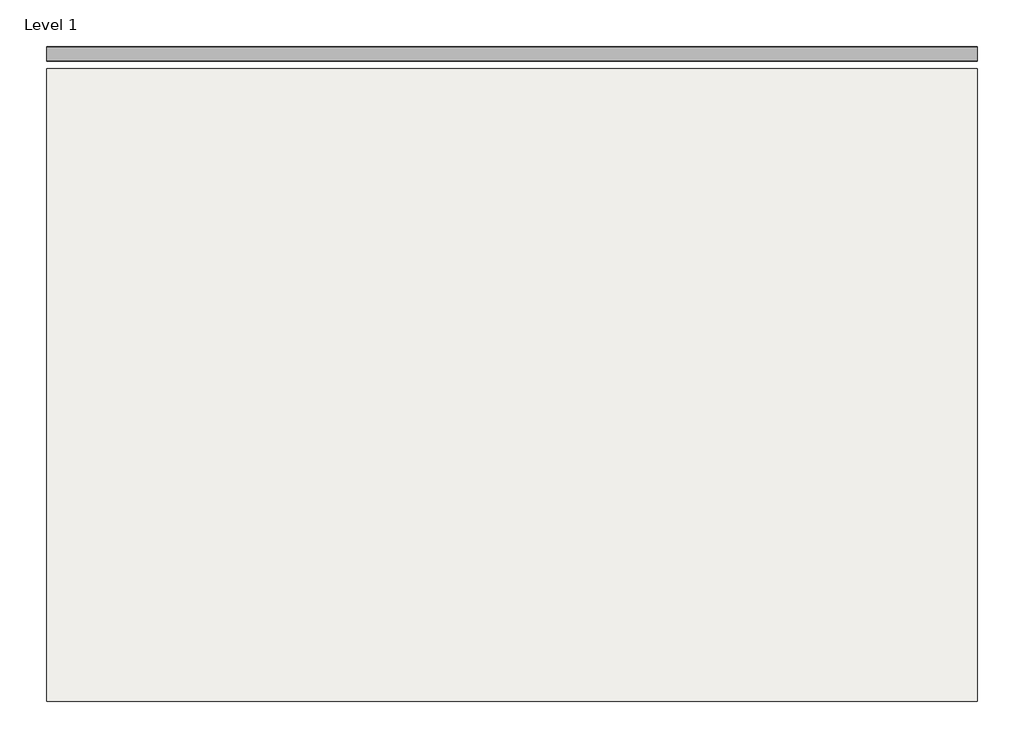
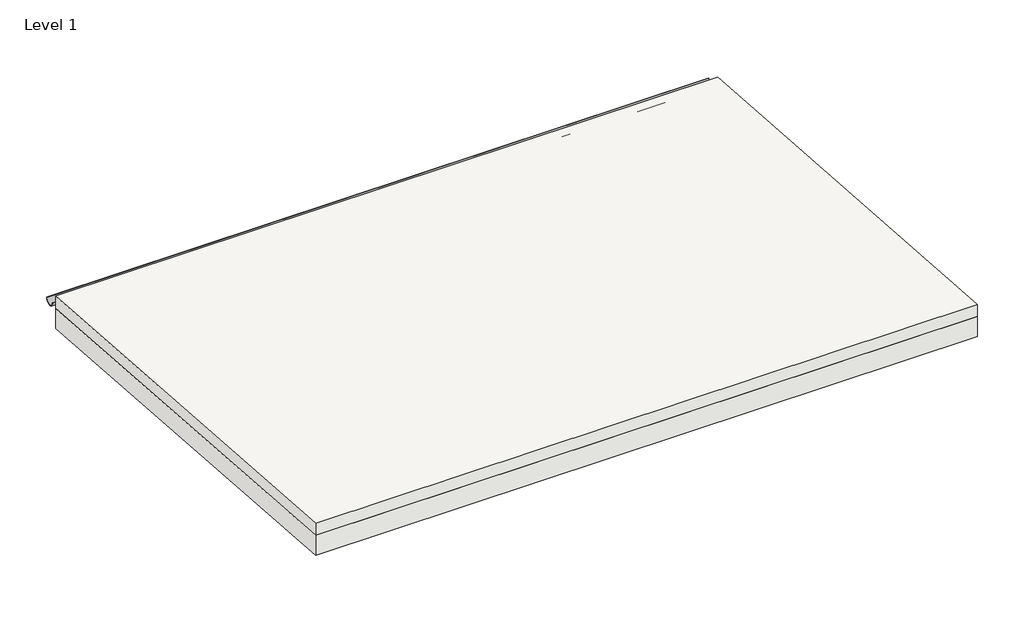
# One storey: 4 beams, 1 pipe segment, 1 roof, 1 slab.
"""IFC4 building model written with IfcOpenShell, lengths in millimetres."""

from ifc_helpers import new_model, si_unit, point, frame, frame_2d, origin, place, context, project, spatial, polyline, circle_curve, trimmed, segment, composite_curve, outline, extrude, faceted_brep, element, save

model = new_model("IFC4")

# Units and contexts
model_context = context("Model", 3, world=origin())
ifc_project = project(units=[si_unit("LENGTHUNIT", "METRE", prefix="MILLI")], contexts=[model_context])

# Site, building, storey
site = spatial("IfcSite", under=ifc_project)
building = spatial("IfcBuilding", under=site)
storey = spatial("IfcBuildingStorey", under=building, Name="Level 1", Elevation=3000.0)

# Beams
placement = place(None, origin())
element("IfcBeam", 1, ObjectType="250x400mm to 250x600mm", at=placement, inside=storey, context=model_context, shape_type="Brep", body=[
    faceted_brep([(4624.9547051, 5574.9809869, 3000.0), (4624.9547051, 5324.9809869, 3000.0), (4624.9547051, 3074.9809869, 3000.0), (4624.9547051, 2824.9809869, 3000.0), (4624.9547051, 2824.9809869, 3599.5), (4624.9547051, 5574.9809869, 3399.5), (4874.9547051, 2824.9809869, 3599.5), (4874.9547051, 5574.9809869, 3399.5), (4874.9547051, 2824.9809869, 3000.0), (4874.9547051, 3074.9809869, 3000.0), (4874.9547051, 5324.9809869, 3000.0), (4874.9547051, 5574.9809869, 3000.0)], [[[0, 1, 2, 3, 4, 5]], [[5, 4, 6, 7]], [[7, 6, 8, 9, 10, 11]], [[3, 2, 1, 0, 11, 10, 9, 8]], [[3, 8, 6, 4]], [[0, 5, 7, 11]]]),
])
element("IfcBeam", 2, ObjectType="250x400mm to 250x600mm", at=placement, inside=storey, context=model_context, shape_type="Brep", body=[
    faceted_brep([(374.9547051, 2824.9809869, 3000.0), (374.9547051, 3074.9809869, 3000.0), (374.9547051, 5324.9809869, 3000.0), (374.9547051, 5574.9809869, 3000.0), (374.9547051, 5574.9809869, 3399.5), (374.9547051, 2824.9809869, 3599.5), (124.9547051, 5574.9809869, 3399.5), (124.9547051, 2824.9809869, 3599.5), (124.9547051, 5574.9809869, 3000.0), (124.9547051, 5324.9809869, 3000.0), (124.9547051, 3074.9809869, 3000.0), (124.9547051, 2824.9809869, 3000.0)], [[[0, 1, 2, 3, 4, 5]], [[5, 4, 6, 7]], [[7, 6, 8, 9, 10, 11]], [[3, 2, 1, 0, 11, 10, 9, 8]], [[0, 5, 7, 11]], [[3, 8, 6, 4]]]),
])
element("IfcBeam", 3, ObjectType="M_Concrete-Rectangular Beam : 250 x 430mm", at=placement, inside=storey, context=model_context, shape_type="SweptSolid", body=[
    extrude(outline(polyline([(5574.9809869, 3000.0), (5324.9809869, 3000.0), (5324.9809869, 3417.6535901), (5574.9809869, 3399.4717719), (5574.9809869, 3000.0)])), frame((374.9547051, 0.0, 0.0), z_axis=(1.0, 0.0, 0.0), x_axis=(0.0, 1.0, 0.0)), (0.0, 0.0, 1.0), 4250.0),
])
element("IfcBeam", 4, ObjectType="M_Concrete-Rectangular Beam : 250 x 600mm", at=placement, inside=storey, context=model_context, shape_type="SweptSolid", body=[
    extrude(outline(polyline([(3074.9809869, 3000.0), (2824.9809869, 3000.0), (2824.9809869, 3599.4717719), (3074.9809869, 3581.2899538), (3074.9809869, 3000.0)])), frame((374.9547051, 0.0, 0.0), z_axis=(1.0, 0.0, 0.0), x_axis=(0.0, 1.0, 0.0)), (0.0, 0.0, 1.0), 4250.0),
])

# Pipe segment
element("IfcPipeSegment", 5, at=placement, inside=storey, context=model_context, shape_type="SweptSolid", body=[
    extrude(outline(composite_curve([segment(trimmed(circle_curve(frame_2d((5974.9809869, 3600.7106379)), 50.0), [point((6024.9809869, 3600.7106379))], [point((5924.9809869, 3600.7106379))], False, "CARTESIAN"), True, "CONTINUOUS"), segment(polyline([(5924.9809869, 3600.7106379), (5929.9809869, 3600.7106379)]), True, "CONTINUOUS"), segment(trimmed(circle_curve(frame_2d((5974.9809869, 3600.7106379)), 45.0), [point((5929.9809869, 3600.7106379))], [point((6019.9809869, 3600.7106379))], True, "CARTESIAN"), True, "CONTINUOUS"), segment(polyline([(6019.9809869, 3600.7106379), (6024.9809869, 3600.7106379)]), True, "CONTINUOUS")], self_intersect=False)), frame((-1075.0452949, 0.0, 0.0), z_axis=(1.0, 0.0, 0.0), x_axis=(0.0, 1.0, 0.0)), (0.0, 0.0, 1.0), 6250.0),
])

# Roof
element("IfcRoof", 6, at=placement, inside=storey, context=model_context, shape_type="SweptSolid", body=[
    extrude(outline(polyline([(1624.9809869, 4006.7106379), (5874.9809869, 3700.7106379), (5874.9809869, 3580.4), (1624.9809869, 3886.4), (1624.9809869, 4006.7106379)])), frame((-1075.0452949, 0.0, 0.0), z_axis=(1.0, 0.0, 0.0), x_axis=(0.0, 1.0, 0.0)), (0.0, 0.0, 1.0), 6250.0),
])

# Slab
element("IfcSlab", 7, ObjectType="Concrete 200mm", at=placement, inside=storey, context=model_context, shape_type="SweptSolid", body=[
    extrude(outline(polyline([(5874.9809869, 3377.6535901), (1624.9809869, 3686.7444992), (1624.9809869, 3887.2727273), (5874.9809869, 3578.1818182), (5874.9809869, 3377.6535901)])), frame((-1075.0452949, 0.0, 0.0), z_axis=(1.0, 0.0, 0.0), x_axis=(0.0, 1.0, 0.0)), (0.0, 0.0, 1.0), 6250.0),
])

save(model, "model.ifc")
